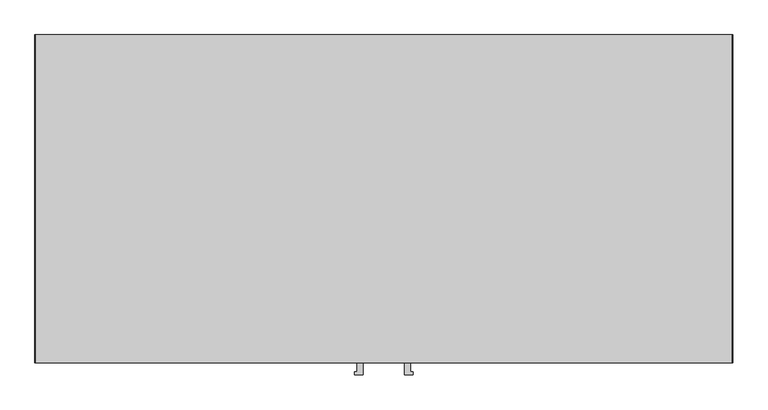
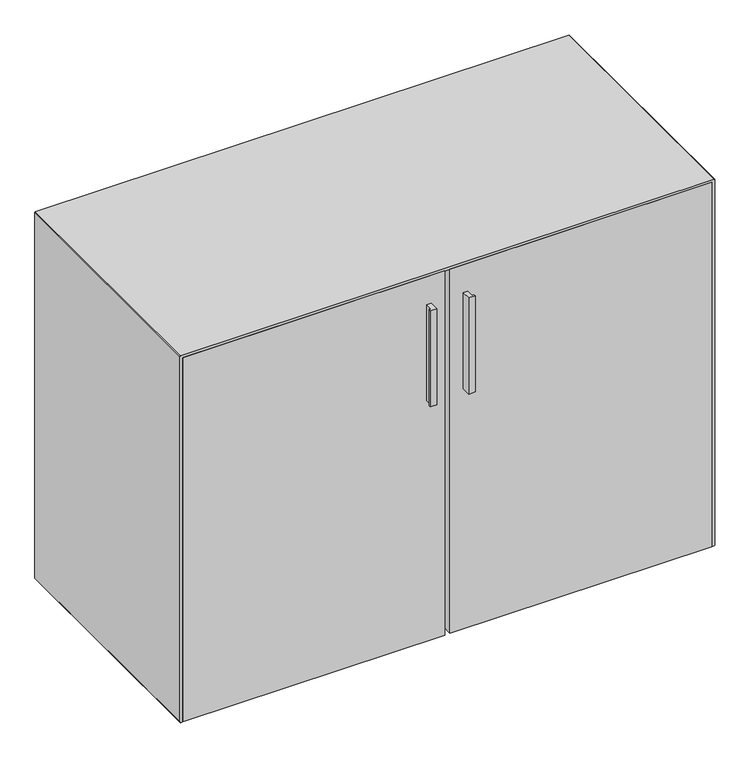
"""IFC4 building model written with IfcOpenShell, lengths in millimetres: furniture geometry."""

from ifc_helpers import new_model, si_unit, point, frame, frame_2d, origin, place, context, project, spatial, polyline, circle_curve, trimmed, segment, composite_curve, outline, extrude, source, transform, mapped, element, save
from ifc_brep_helpers import plane_surface, cylinder_surface, revolved_surface, advanced_brep


def furniture_467c5bdd(model_context):
    return source(origin(), model_context, "Body", "SolidModel", [
        extrude(outline(polyline([(495.0, 212.0908769), (495.0, -193.1994487), (-495.0, -193.1994487), (-495.0, 212.0908769), (495.0, 212.0908769)])), frame((0.0, 0.0, 284.0), z_axis=(0.0, 0.0, 1.0), x_axis=(1.0, 0.0, 0.0)), (0.0, 0.0, 1.0), 20.0),
        extrude(outline(polyline([(-29.8999995, -235.0), (-29.8999995, -252.4), (-41.8999995, -252.4), (-41.8999995, -248.4), (-38.3999995, -248.4), (-38.3999995, -235.0), (-29.8999995, -235.0)])), frame((0.0, 0.0, 485.0), z_axis=(0.0, 0.0, 1.0), x_axis=(1.0, 0.0, 0.0)), (0.0, 0.0, 1.0), 190.0),
        extrude(outline(polyline([(29.8999995, -235.0), (38.3999995, -235.0), (38.3999995, -248.4), (41.8999995, -248.4), (41.8999995, -252.4), (29.8999995, -252.4), (29.8999995, -235.0)])), frame((0.0, 0.0, 485.0), z_axis=(0.0, 0.0, 1.0), x_axis=(1.0, 0.0, 0.0)), (0.0, 0.0, 1.0), 190.0),
        extrude(outline(polyline([(-5.0, -235.0), (-495.0, -235.0), (-495.0, -214.2091231), (-5.0, -214.2091231), (-5.0, -235.0)])), frame((0.0, 0.0, 10.0), z_axis=(0.0, 0.0, 1.0), x_axis=(1.0, 0.0, 0.0)), (0.0, 0.0, 1.0), 720.0),
        extrude(outline(polyline([(5.0, -235.0), (5.0, -214.2091231), (495.0, -214.2091231), (495.0, -235.0), (5.0, -235.0)])), frame((0.0, 0.0, 10.0), z_axis=(0.0, 0.0, 1.0), x_axis=(1.0, 0.0, 0.0)), (0.0, 0.0, 1.0), 720.0),
        extrude(outline(composite_curve([segment(polyline([(730.0, 494.0), (730.0, -494.0)]), True, "CONTINUOUS"), segment(trimmed(circle_curve(frame_2d((729.0, -494.0)), 1.0), [point((730.0, -494.0))], [point((729.0, -495.0))], False, "CARTESIAN"), True, "CONTINUOUS"), segment(polyline([(729.0, -495.0), (10.0, -495.0), (10.0, 495.0), (729.0, 495.0)]), True, "CONTINUOUS"), segment(trimmed(circle_curve(frame_2d((729.0, 494.0)), 1.0), [point((729.0, 495.0))], [point((730.0, 494.0))], False, "CARTESIAN"), True, "CONTINUOUS")], self_intersect=False)), frame((0.0, 212.0908769, 0.0), z_axis=(0.0, 1.0, 0.0), x_axis=(0.0, 0.0, 1.0)), (0.0, 0.0, 1.0), 22.9091231),
        advanced_brep(
        [(408.3, 195.1194008, 0.0), (408.3, 214.0805992, 0.0), (408.3, 204.6, 0.0), (408.3, 204.6, 10.0), (408.3, 211.0818404, 10.0), (408.3, 198.1181596, 10.0), (408.3, 211.0818404, 2.0), (408.3, 198.1181596, 2.0), (408.3, 214.0805992, 2.0), (408.3, 195.1194008, 2.0)],
        [
            (0, 1, circle_curve(frame((408.3, 204.6, 0.0), z_axis=(0.0, 0.0, -1.0), x_axis=(0.0, 1.0, 0.0)), 9.4805992)),
            (1, 2),
            (2, 0),
            (1, 0, circle_curve(frame((408.3, 204.6, 0.0), z_axis=(0.0, 0.0, -1.0), x_axis=(0.0, 1.0, 0.0)), 9.4805992)),
            (3, 4),
            (4, 5, circle_curve(frame((408.3, 204.6, 10.0), z_axis=(0.0, 0.0, 1.0), x_axis=(0.0, 1.0, 0.0)), 6.4818404)),
            (5, 3),
            (5, 4, circle_curve(frame((408.3, 204.6, 10.0), z_axis=(0.0, 0.0, 1.0), x_axis=(0.0, 1.0, 0.0)), 6.4818404)),
            (4, 6),
            (6, 7, circle_curve(frame((408.3, 204.6, 2.0), z_axis=(0.0, 0.0, 1.0), x_axis=(0.0, 1.0, 0.0)), 6.4818404)),
            (7, 5),
            (7, 6, circle_curve(frame((408.3, 204.6, 2.0), z_axis=(0.0, 0.0, 1.0), x_axis=(0.0, 1.0, 0.0)), 6.4818404)),
            (6, 8),
            (8, 9, circle_curve(frame((408.3, 204.6, 2.0), z_axis=(0.0, 0.0, 1.0), x_axis=(0.0, 1.0, 0.0)), 9.4805992)),
            (9, 7),
            (9, 8, circle_curve(frame((408.3, 204.6, 2.0), z_axis=(0.0, 0.0, 1.0), x_axis=(0.0, 1.0, 0.0)), 9.4805992)),
            (8, 1),
            (0, 9),
        ],
        [
            plane_surface(frame((408.3, 204.6, 0.0), z_axis=(0.0, 0.0, -1.0), x_axis=(0.0, 1.0, 0.0))),
            plane_surface(frame((408.3, 204.6, 10.0), z_axis=(0.0, 0.0, 1.0), x_axis=(0.0, 1.0, 0.0))),
            cylinder_surface(frame((408.3, 204.6, -3.670201), z_axis=(0.0, 0.0, 1.0), x_axis=(0.0, 1.0, 0.0)), 6.4818404),
            plane_surface(frame((408.3, 204.6, 2.0), z_axis=(0.0, 0.0, 1.0), x_axis=(0.0, 1.0, 0.0))),
            cylinder_surface(frame((408.3, 204.6, -3.670201), z_axis=(0.0, 0.0, 1.0), x_axis=(0.0, 1.0, 0.0)), 9.4805992),
        ],
        [
            (0, [[1, 2, 3]]),
            (0, [[4, -3, -2]]),
            (1, [[5, 6, 7]]),
            (1, [[-7, 8, -5]]),
            (2, [[-6, 9, 10, 11]]),
            (2, [[-8, -11, 12, -9]]),
            (3, [[-10, 13, 14, 15]]),
            (3, [[-12, -15, 16, -13]]),
            (4, [[-14, 17, -1, 18]]),
            (4, [[-16, -18, -4, -17]]),
        ],
    ),
        advanced_brep(
        [(408.3, -204.6, 0.0), (408.3, -214.0805992, 0.0), (408.3, -195.1194008, 0.0), (408.3, -198.1181596, 10.0), (408.3, -211.0818404, 10.0), (408.3, -204.6, 10.0), (408.3, -198.1181596, 2.0), (408.3, -211.0818404, 2.0), (408.3, -195.1194008, 2.0), (408.3, -214.0805992, 2.0)],
        [
            (0, 1),
            (1, 2, circle_curve(frame((408.3, -204.6, 0.0), z_axis=(0.0, 0.0, -1.0), x_axis=(0.0, -1.0, 0.0)), 9.4805992)),
            (2, 0),
            (2, 1, circle_curve(frame((408.3, -204.6, 0.0), z_axis=(0.0, 0.0, -1.0), x_axis=(0.0, -1.0, 0.0)), 9.4805992)),
            (3, 4, circle_curve(frame((408.3, -204.6, 10.0), z_axis=(0.0, 0.0, 1.0), x_axis=(0.0, -1.0, 0.0)), 6.4818404)),
            (4, 5),
            (5, 3),
            (4, 3, circle_curve(frame((408.3, -204.6, 10.0), z_axis=(0.0, 0.0, 1.0), x_axis=(0.0, -1.0, 0.0)), 6.4818404)),
            (6, 7, circle_curve(frame((408.3, -204.6, 2.0), z_axis=(0.0, 0.0, 1.0), x_axis=(0.0, -1.0, 0.0)), 6.4818404)),
            (7, 4),
            (3, 6),
            (7, 6, circle_curve(frame((408.3, -204.6, 2.0), z_axis=(0.0, 0.0, 1.0), x_axis=(0.0, -1.0, 0.0)), 6.4818404)),
            (8, 9, circle_curve(frame((408.3, -204.6, 2.0), z_axis=(0.0, 0.0, 1.0), x_axis=(0.0, -1.0, 0.0)), 9.4805992)),
            (9, 7),
            (6, 8),
            (9, 8, circle_curve(frame((408.3, -204.6, 2.0), z_axis=(0.0, 0.0, 1.0), x_axis=(0.0, -1.0, 0.0)), 9.4805992)),
            (1, 9),
            (8, 2),
        ],
        [
            plane_surface(frame((408.3, -204.6, 0.0), z_axis=(0.0, 0.0, -1.0), x_axis=(0.0, -1.0, 0.0))),
            plane_surface(frame((408.3, -204.6, 10.0), z_axis=(0.0, 0.0, 1.0), x_axis=(0.0, -1.0, 0.0))),
            cylinder_surface(frame((408.3, -204.6, -3.670201), z_axis=(0.0, 0.0, -1.0), x_axis=(0.0, -1.0, 0.0)), 6.4818404),
            plane_surface(frame((408.3, -204.6, 2.0), z_axis=(0.0, 0.0, 1.0), x_axis=(0.0, -1.0, 0.0))),
            cylinder_surface(frame((408.3, -204.6, -3.670201), z_axis=(0.0, 0.0, -1.0), x_axis=(0.0, -1.0, 0.0)), 9.4805992),
        ],
        [
            (0, [[1, 2, 3]]),
            (0, [[-3, 4, -1]]),
            (1, [[5, 6, 7]]),
            (1, [[8, -7, -6]]),
            (2, [[9, 10, -5, 11]]),
            (2, [[12, -11, -8, -10]]),
            (3, [[13, 14, -9, 15]]),
            (3, [[16, -15, -12, -14]]),
            (4, [[-2, 17, -13, 18]]),
            (4, [[-4, -18, -16, -17]]),
        ],
    ),
        advanced_brep(
        [(-408.3, 204.6, 0.0), (-408.3, 214.0805992, 0.0), (-408.3, 195.1194008, 0.0), (-408.3, 198.1181596, 10.0), (-408.3, 211.0818404, 10.0), (-408.3, 204.6, 10.0), (-408.3, 198.1181596, 2.0), (-408.3, 211.0818404, 2.0), (-408.3, 195.1194008, 2.0), (-408.3, 214.0805992, 2.0)],
        [
            (0, 1),
            (1, 2, circle_curve(frame((-408.3, 204.6, 0.0), z_axis=(0.0, 0.0, -1.0), x_axis=(0.0, 1.0, 0.0)), 9.4805992)),
            (2, 0),
            (2, 1, circle_curve(frame((-408.3, 204.6, 0.0), z_axis=(0.0, 0.0, -1.0), x_axis=(0.0, 1.0, 0.0)), 9.4805992)),
            (3, 4, circle_curve(frame((-408.3, 204.6, 10.0), z_axis=(0.0, 0.0, 1.0), x_axis=(0.0, 1.0, 0.0)), 6.4818404)),
            (4, 5),
            (5, 3),
            (4, 3, circle_curve(frame((-408.3, 204.6, 10.0), z_axis=(0.0, 0.0, 1.0), x_axis=(0.0, 1.0, 0.0)), 6.4818404)),
            (6, 7, circle_curve(frame((-408.3, 204.6, 2.0), z_axis=(0.0, 0.0, 1.0), x_axis=(0.0, 1.0, 0.0)), 6.4818404)),
            (7, 4),
            (3, 6),
            (7, 6, circle_curve(frame((-408.3, 204.6, 2.0), z_axis=(0.0, 0.0, 1.0), x_axis=(0.0, 1.0, 0.0)), 6.4818404)),
            (8, 9, circle_curve(frame((-408.3, 204.6, 2.0), z_axis=(0.0, 0.0, 1.0), x_axis=(0.0, 1.0, 0.0)), 9.4805992)),
            (9, 7),
            (6, 8),
            (9, 8, circle_curve(frame((-408.3, 204.6, 2.0), z_axis=(0.0, 0.0, 1.0), x_axis=(0.0, 1.0, 0.0)), 9.4805992)),
            (1, 9),
            (8, 2),
        ],
        [
            plane_surface(frame((-408.3, 204.6, 0.0), z_axis=(0.0, 0.0, -1.0), x_axis=(0.0, 1.0, 0.0))),
            plane_surface(frame((-408.3, 204.6, 10.0), z_axis=(0.0, 0.0, 1.0), x_axis=(0.0, 1.0, 0.0))),
            cylinder_surface(frame((-408.3, 204.6, -3.670201), z_axis=(0.0, 0.0, -1.0), x_axis=(0.0, 1.0, 0.0)), 6.4818404),
            plane_surface(frame((-408.3, 204.6, 2.0), z_axis=(0.0, 0.0, 1.0), x_axis=(0.0, 1.0, 0.0))),
            cylinder_surface(frame((-408.3, 204.6, -3.670201), z_axis=(0.0, 0.0, -1.0), x_axis=(0.0, 1.0, 0.0)), 9.4805992),
        ],
        [
            (0, [[1, 2, 3]]),
            (0, [[-3, 4, -1]]),
            (1, [[5, 6, 7]]),
            (1, [[8, -7, -6]]),
            (2, [[9, 10, -5, 11]]),
            (2, [[12, -11, -8, -10]]),
            (3, [[13, 14, -9, 15]]),
            (3, [[16, -15, -12, -14]]),
            (4, [[-2, 17, -13, 18]]),
            (4, [[-4, -18, -16, -17]]),
        ],
    ),
        advanced_brep(
        [(-408.3, -195.1194008, 0.0), (-408.3, -214.0805992, 0.0), (-408.3, -204.6, 0.0), (-408.3, -204.6, 10.0), (-408.3, -211.0818404, 10.0), (-408.3, -198.1181596, 10.0), (-408.3, -211.0818404, 2.0), (-408.3, -198.1181596, 2.0), (-408.3, -214.0805992, 2.0), (-408.3, -195.1194008, 2.0)],
        [
            (0, 1, circle_curve(frame((-408.3, -204.6, 0.0), z_axis=(0.0, 0.0, -1.0), x_axis=(0.0, -1.0, 0.0)), 9.4805992)),
            (1, 2),
            (2, 0),
            (1, 0, circle_curve(frame((-408.3, -204.6, 0.0), z_axis=(0.0, 0.0, -1.0), x_axis=(0.0, -1.0, 0.0)), 9.4805992)),
            (3, 4),
            (4, 5, circle_curve(frame((-408.3, -204.6, 10.0), z_axis=(0.0, 0.0, 1.0), x_axis=(0.0, -1.0, 0.0)), 6.4818404)),
            (5, 3),
            (5, 4, circle_curve(frame((-408.3, -204.6, 10.0), z_axis=(0.0, 0.0, 1.0), x_axis=(0.0, -1.0, 0.0)), 6.4818404)),
            (4, 6),
            (6, 7, circle_curve(frame((-408.3, -204.6, 2.0), z_axis=(0.0, 0.0, 1.0), x_axis=(0.0, -1.0, 0.0)), 6.4818404)),
            (7, 5),
            (7, 6, circle_curve(frame((-408.3, -204.6, 2.0), z_axis=(0.0, 0.0, 1.0), x_axis=(0.0, -1.0, 0.0)), 6.4818404)),
            (6, 8),
            (8, 9, circle_curve(frame((-408.3, -204.6, 2.0), z_axis=(0.0, 0.0, 1.0), x_axis=(0.0, -1.0, 0.0)), 9.4805992)),
            (9, 7),
            (9, 8, circle_curve(frame((-408.3, -204.6, 2.0), z_axis=(0.0, 0.0, 1.0), x_axis=(0.0, -1.0, 0.0)), 9.4805992)),
            (8, 1),
            (0, 9),
        ],
        [
            plane_surface(frame((-408.3, -204.6, 0.0), z_axis=(0.0, 0.0, -1.0), x_axis=(0.0, -1.0, 0.0))),
            plane_surface(frame((-408.3, -204.6, 10.0), z_axis=(0.0, 0.0, 1.0), x_axis=(0.0, -1.0, 0.0))),
            cylinder_surface(frame((-408.3, -204.6, -3.670201), z_axis=(0.0, 0.0, 1.0), x_axis=(0.0, -1.0, 0.0)), 6.4818404),
            plane_surface(frame((-408.3, -204.6, 2.0), z_axis=(0.0, 0.0, 1.0), x_axis=(0.0, -1.0, 0.0))),
            cylinder_surface(frame((-408.3, -204.6, -3.670201), z_axis=(0.0, 0.0, 1.0), x_axis=(0.0, -1.0, 0.0)), 9.4805992),
        ],
        [
            (0, [[1, 2, 3]]),
            (0, [[4, -3, -2]]),
            (1, [[5, 6, 7]]),
            (1, [[-7, 8, -5]]),
            (2, [[-6, 9, 10, 11]]),
            (2, [[-8, -11, 12, -9]]),
            (3, [[-10, 13, 14, 15]]),
            (3, [[-12, -15, 16, -13]]),
            (4, [[-14, 17, -1, 18]]),
            (4, [[-16, -18, -4, -17]]),
        ],
    ),
        advanced_brep(
        [(499.0, -235.0, 735.0), (-499.0, -235.0, 735.0), (-500.0, -235.0, 734.0), (-500.0, -235.0, 11.0), (-499.0, -235.0, 10.0), (-495.0, -235.0, 10.0), (-495.0, -235.0, 729.0), (-494.0, -235.0, 730.0), (494.0, -235.0, 730.0), (495.0, -235.0, 729.0), (495.0, -235.0, 10.0), (499.0, -235.0, 10.0), (500.0, -235.0, 11.0), (500.0, -235.0, 734.0), (499.0, 235.0, 735.0), (500.0, 235.0, 734.0), (500.0, 235.0, 11.0), (499.0, 235.0, 10.0), (-499.0, 235.0, 10.0), (-500.0, 235.0, 11.0), (-500.0, 235.0, 734.0), (-499.0, 235.0, 735.0), (494.0, 235.0, 730.0), (-494.0, 235.0, 730.0), (-495.0, 235.0, 729.0), (-495.0, 235.0, 11.7999997), (495.0, 235.0, 11.7999997), (495.0, 235.0, 729.0), (495.0, -214.2091231, 10.0), (-495.0, -214.2091231, 10.0), (495.0, -214.2091231, 11.7999997), (-495.0, -214.2091231, 11.7999997)],
        [
            (0, 1),
            (1, 2, circle_curve(frame((-499.0, -235.0, 734.0), z_axis=(0.0, -1.0, 0.0), x_axis=(1.0, 0.0, 0.0)), 1.0)),
            (2, 3),
            (3, 4, circle_curve(frame((-499.0, -235.0, 11.0), z_axis=(0.0, -1.0, 0.0), x_axis=(1.0, 0.0, 0.0)), 1.0)),
            (4, 5),
            (5, 6),
            (6, 7, circle_curve(frame((-494.0, -235.0, 729.0), z_axis=(0.0, 1.0, 0.0), x_axis=(1.0, 0.0, 0.0)), 1.0)),
            (7, 8),
            (8, 9, circle_curve(frame((494.0, -235.0, 729.0), z_axis=(0.0, 1.0, 0.0), x_axis=(1.0, 0.0, 0.0)), 1.0)),
            (9, 10),
            (10, 11),
            (11, 12, circle_curve(frame((499.0, -235.0, 11.0), z_axis=(0.0, -1.0, 0.0), x_axis=(1.0, 0.0, 0.0)), 1.0)),
            (12, 13),
            (13, 0, circle_curve(frame((499.0, -235.0, 734.0), z_axis=(0.0, -1.0, 0.0), x_axis=(1.0, 0.0, 0.0)), 1.0)),
            (14, 15, circle_curve(frame((499.0, 235.0, 734.0), z_axis=(0.0, 1.0, 0.0), x_axis=(1.0, 0.0, 0.0)), 1.0)),
            (15, 16),
            (16, 17, circle_curve(frame((499.0, 235.0, 11.0), z_axis=(0.0, 1.0, 0.0), x_axis=(1.0, 0.0, 0.0)), 1.0)),
            (17, 18),
            (18, 19, circle_curve(frame((-499.0, 235.0, 11.0), z_axis=(0.0, 1.0, 0.0), x_axis=(1.0, 0.0, 0.0)), 1.0)),
            (19, 20),
            (20, 21, circle_curve(frame((-499.0, 235.0, 734.0), z_axis=(0.0, 1.0, 0.0), x_axis=(1.0, 0.0, 0.0)), 1.0)),
            (21, 14),
            (22, 23),
            (23, 24, circle_curve(frame((-494.0, 235.0, 729.0), z_axis=(0.0, -1.0, 0.0), x_axis=(1.0, 0.0, 0.0)), 1.0)),
            (24, 25),
            (25, 26),
            (26, 27),
            (27, 22, circle_curve(frame((494.0, 235.0, 729.0), z_axis=(0.0, -1.0, 0.0), x_axis=(1.0, 0.0, 0.0)), 1.0)),
            (0, 14),
            (21, 1),
            (20, 2),
            (19, 3),
            (18, 4),
            (17, 11),
            (10, 28),
            (28, 29),
            (29, 5),
            (16, 12),
            (15, 13),
            (8, 22),
            (27, 9),
            (26, 30),
            (30, 28),
            (25, 31),
            (31, 30),
            (24, 6),
            (29, 31),
            (23, 7),
        ],
        [
            plane_surface(frame((-499.0, -235.0, 735.0), z_axis=(0.0, -1.0, 0.0), x_axis=(-1.0, 0.0, 0.0))),
            plane_surface(frame((-499.0, 235.0, 735.0), z_axis=(0.0, 1.0, 0.0), x_axis=(1.0, 0.0, 0.0))),
            plane_surface(frame((499.0, -235.0, 735.0), z_axis=(0.0, 0.0, 1.0), x_axis=(0.0, 1.0, 0.0))),
            cylinder_surface(frame((-499.0, 235.0, 734.0), z_axis=(0.0, -1.0, 0.0), x_axis=(1.0, 0.0, 0.0)), 1.0),
            plane_surface(frame((-500.0, -235.0, 734.0), z_axis=(-1.0, 0.0, 0.0), x_axis=(0.0, 1.0, 0.0))),
            cylinder_surface(frame((-499.0, 235.0, 11.0), z_axis=(0.0, -1.0, 0.0), x_axis=(1.0, 0.0, 0.0)), 1.0),
            plane_surface(frame((-499.0, -235.0, 10.0), z_axis=(0.0, 0.0, -1.0), x_axis=(0.0, 1.0, 0.0))),
            cylinder_surface(frame((499.0, 235.0, 11.0), z_axis=(0.0, -1.0, 0.0), x_axis=(1.0, 0.0, 0.0)), 1.0),
            plane_surface(frame((500.0, -235.0, 11.0), z_axis=(1.0, 0.0, 0.0), x_axis=(0.0, 1.0, 0.0))),
            cylinder_surface(frame((499.0, 235.0, 734.0), z_axis=(0.0, -1.0, 0.0), x_axis=(1.0, 0.0, 0.0)), 1.0),
            revolved_surface(polyline([(495.0, 235.0, 729.0), (495.0, -235.0, 729.0)]), (494.0, 0.0, 729.0), (0.0, 1.0, 0.0)),
            plane_surface(frame((495.0, -235.0, 729.0), z_axis=(-1.0, 0.0, 0.0), x_axis=(0.0, 1.0, 0.0))),
            plane_surface(frame((495.0, -235.0, 11.7999997), z_axis=(0.0, 0.0, 1.0), x_axis=(0.0, 1.0, 0.0))),
            plane_surface(frame((-495.0, -235.0, 11.7999997), z_axis=(1.0, 0.0, 0.0), x_axis=(0.0, 1.0, 0.0))),
            revolved_surface(polyline([(-493.0, 235.0, 729.0), (-493.0, -235.0, 729.0)]), (-494.0, 0.0, 729.0), (0.0, 1.0, 0.0)),
            plane_surface(frame((-494.0, -235.0, 730.0), z_axis=(0.0, 0.0, -1.0), x_axis=(0.0, 1.0, 0.0))),
            plane_surface(frame((495.0, -214.2091231, 43.2700479), z_axis=(0.0, -1.0, 0.0), x_axis=(0.0, 0.0, -1.0))),
        ],
        [
            (0, [[1, 2, 3, 4, 5, 6, 7, 8, 9, 10, 11, 12, 13, 14]]),
            (1, [[15, 16, 17, 18, 19, 20, 21, 22], [23, 24, 25, 26, 27, 28]]),
            (2, [[-1, 29, -22, 30]]),
            (3, [[-2, -30, -21, 31]]),
            (4, [[-3, -31, -20, 32]]),
            (5, [[-4, -32, -19, 33]]),
            (6, [[-18, 34, -11, 35, 36, 37, -5, -33]]),
            (7, [[-12, -34, -17, 38]]),
            (8, [[-13, -38, -16, 39]]),
            (9, [[-14, -39, -15, -29]]),
            (10, [[-9, 40, -28, 41]]),
            (11, [[-27, 42, 43, -35, -10, -41]]),
            (12, [[-26, 44, 45, -42]]),
            (13, [[-25, 46, -6, -37, 47, -44]]),
            (14, [[-7, -46, -24, 48]]),
            (15, [[-8, -48, -23, -40]]),
            (16, [[-43, -45, -47, -36]]),
        ],
    ),
    ])


if __name__ == "__main__":
    model = new_model("IFC4")
    model_context = context("Model", 3, world=origin())
    ifc_project = project(units=[si_unit("LENGTHUNIT", "METRE", prefix="MILLI")], contexts=[model_context])
    site = spatial("IfcSite", under=ifc_project)
    building = spatial("IfcBuilding", under=site)
    placement = place(None, origin())
    furniture_shape = furniture_467c5bdd(model_context)
    element("IfcFurniture", 1, at=placement, inside=building, context=model_context, shape_type="MappedRepresentation", body=[
        mapped(furniture_shape, transform((0.0, 0.0, 0.0), x_axis=(1.0, 0.0, 0.0), y_axis=(0.0, 1.0, 0.0), z_axis=(0.0, 0.0, 1.0))),
    ])
    save(model, "model.ifc")
